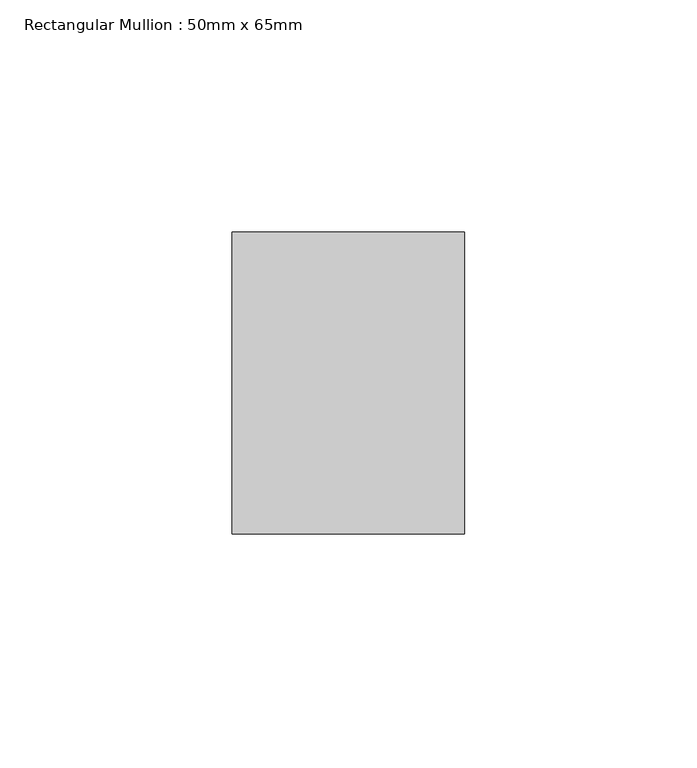
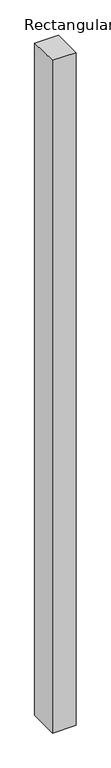
"""IFC4 building model written with IfcOpenShell, lengths in millimetres: member geometry, Rectangular Mullion : 50mm x 65mm."""

from ifc_helpers import new_model, si_unit, origin, place, context, project, spatial, faceted_brep, source, transform, mapped, element, save


def rectangular_mullion_50mm_x_65mm_4f6c77d2(model_context):
    return source(origin(), model_context, "Body", "Brep", [
        faceted_brep([(-25.0, 32.5, -0.353672), (25.0, 32.5, -0.3536695), (25.0, 32.5, -1499.5479473), (-25.0, 32.5, -1499.5479441), (-25.0, -32.5, 0.3536695), (-25.0, -32.5, -1500.4515742), (25.0, -32.5, 0.353672), (25.0, -32.5, -1500.4515774)], [[[0, 1, 2, 3]], [[4, 0, 3, 5]], [[6, 4, 5, 7]], [[1, 6, 7, 2]], [[1, 0, 4, 6]], [[2, 7, 5, 3]]]),
    ])


if __name__ == "__main__":
    model = new_model("IFC4")
    model_context = context("Model", 3, world=origin())
    ifc_project = project(units=[si_unit("LENGTHUNIT", "METRE", prefix="MILLI")], contexts=[model_context])
    site = spatial("IfcSite", under=ifc_project)
    building = spatial("IfcBuilding", under=site)
    placement = place(None, origin())
    rectangular_mullion_50mm_x_65mm_shape = rectangular_mullion_50mm_x_65mm_4f6c77d2(model_context)
    element("IfcMember", 1, ObjectType="Rectangular Mullion : 50mm x 65mm", at=placement, inside=building, context=model_context, shape_type="MappedRepresentation", body=[
        mapped(rectangular_mullion_50mm_x_65mm_shape, transform((0.0, 0.0, 0.0), x_axis=(1.0, 0.0, 0.0), y_axis=(0.0, 1.0, 0.0), z_axis=(0.0, 0.0, 1.0))),
    ])
    save(model, "model.ifc")
